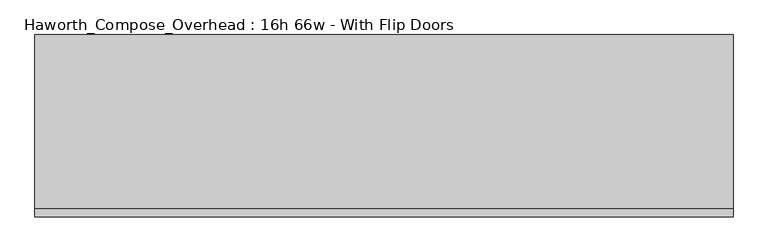
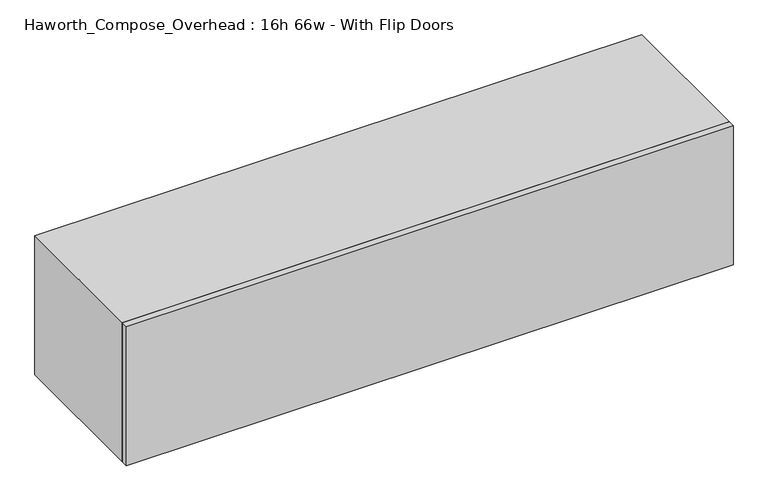
"""IFC4 building model written with IfcOpenShell, lengths in millimetres: furniture geometry, Haworth_Compose_Overhead : 16h 66w - With Flip Doors."""

from ifc_helpers import new_model, si_unit, frame, origin, place, context, project, spatial, polyline, outline, extrude, source, transform, mapped, element, save


def haworth_compose_overhead_16h_66w_with_flip_doors_4c376453(model_context):
    return source(origin(), model_context, "Body", "SweptSolid", [
        extrude(outline(polyline([(1003.3, -438.15), (-673.1, -438.15), (-673.1, -419.1), (1003.3, -419.1), (1003.3, -438.15)])), frame((0.0, 0.0, 1270.0), z_axis=(0.0, 0.0, 1.0), x_axis=(1.0, 0.0, 0.0)), (0.0, 0.0, 1.0), 406.4),
        extrude(outline(polyline([(977.9, -6.35), (-647.7, -6.35), (-647.7, 0.0), (977.9, 0.0), (977.9, -6.35)])), frame((0.0, 0.0, 1295.4), z_axis=(0.0, 0.0, 1.0), x_axis=(1.0, 0.0, 0.0)), (0.0, 0.0, 1.0), 355.6),
        extrude(outline(polyline([(1270.0, 1003.3), (1676.4, 1003.3), (1676.4, -673.1), (1270.0, -673.1), (1270.0, 1003.3)]), holes=[polyline([(1651.0, 977.9), (1295.4, 977.9), (1295.4, -647.7), (1651.0, -647.7), (1651.0, 977.9)])]), frame((0.0, -419.1, 0.0), z_axis=(0.0, 1.0, 0.0), x_axis=(0.0, 0.0, 1.0)), (0.0, 0.0, 1.0), 419.1),
    ])


if __name__ == "__main__":
    model = new_model("IFC4")
    model_context = context("Model", 3, world=origin())
    ifc_project = project(units=[si_unit("LENGTHUNIT", "METRE", prefix="MILLI")], contexts=[model_context])
    site = spatial("IfcSite", under=ifc_project)
    building = spatial("IfcBuilding", under=site)
    placement = place(None, origin())
    haworth_compose_overhead_16h_66w_with_flip_doors_shape = haworth_compose_overhead_16h_66w_with_flip_doors_4c376453(model_context)
    element("IfcFurniture", 1, ObjectType="Haworth_Compose_Overhead : 16h 66w - With Flip Doors", at=placement, inside=building, context=model_context, shape_type="MappedRepresentation", body=[
        mapped(haworth_compose_overhead_16h_66w_with_flip_doors_shape, transform((0.0, 0.0, 0.0), x_axis=(1.0, 0.0, 0.0), y_axis=(0.0, 1.0, 0.0), z_axis=(0.0, 0.0, 1.0))),
    ])
    save(model, "model.ifc")
